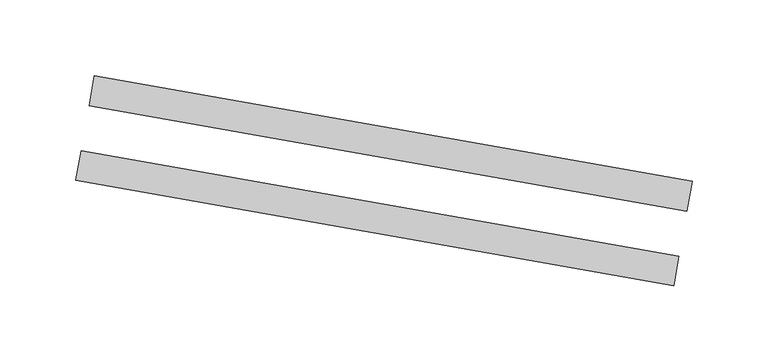
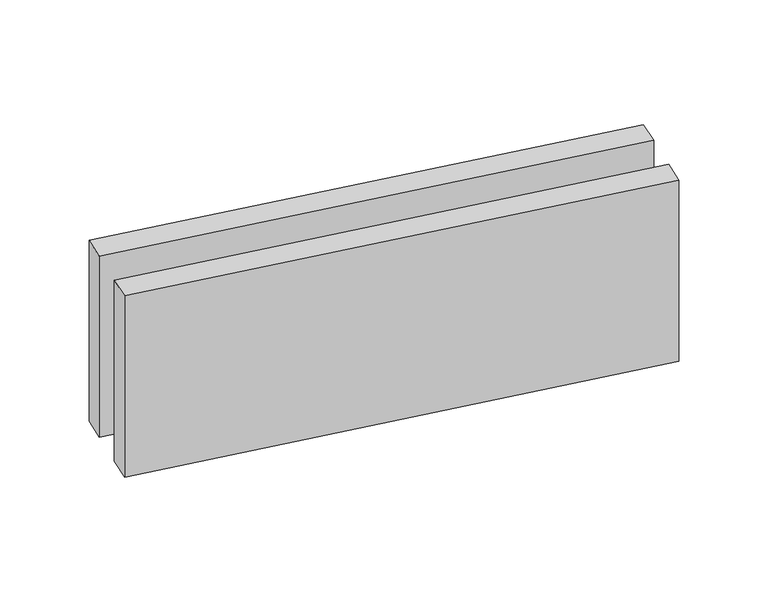
"""IFC4 building model written with IfcOpenShell, lengths in millimetres: proxy geometry."""

from ifc_helpers import new_model, si_unit, origin, origin_with_axes, place, context, project, spatial, polyline, outline, extrude, source, transform, mapped, element, save


def generic_models_812c0de3(model_context):
    return source(origin(), model_context, "Body", "SweptSolid", [
        extrude(outline(polyline([(396.5278239, -54.6871548), (2.6047227, 14.7721163), (6.0776862, 34.4682714), (400.0007874, -34.9909997), (396.5278239, -54.6871548)])), origin_with_axes(), (0.0, 0.0, 1.0), 150.0),
        extrude(outline(polyline([(387.845415, -103.9275424), (-6.0776862, -34.4682714), (-2.6047227, -14.7721163), (391.3183785, -84.2313874), (387.845415, -103.9275424)])), origin_with_axes(), (0.0, 0.0, 1.0), 150.0),
    ])


if __name__ == "__main__":
    model = new_model("IFC4")
    model_context = context("Model", 3, world=origin())
    ifc_project = project(units=[si_unit("LENGTHUNIT", "METRE", prefix="MILLI")], contexts=[model_context])
    site = spatial("IfcSite", under=ifc_project)
    building = spatial("IfcBuilding", under=site)
    placement = place(None, origin())
    generic_models_shape = generic_models_812c0de3(model_context)
    element("IfcBuildingElementProxy", 1, Name="Generic Models", at=placement, inside=building, context=model_context, shape_type="MappedRepresentation", body=[
        mapped(generic_models_shape, transform((0.0, 0.0, 0.0), x_axis=(1.0, 0.0, 0.0), y_axis=(0.0, 1.0, 0.0), z_axis=(0.0, 0.0, 1.0))),
    ])
    save(model, "model.ifc")
